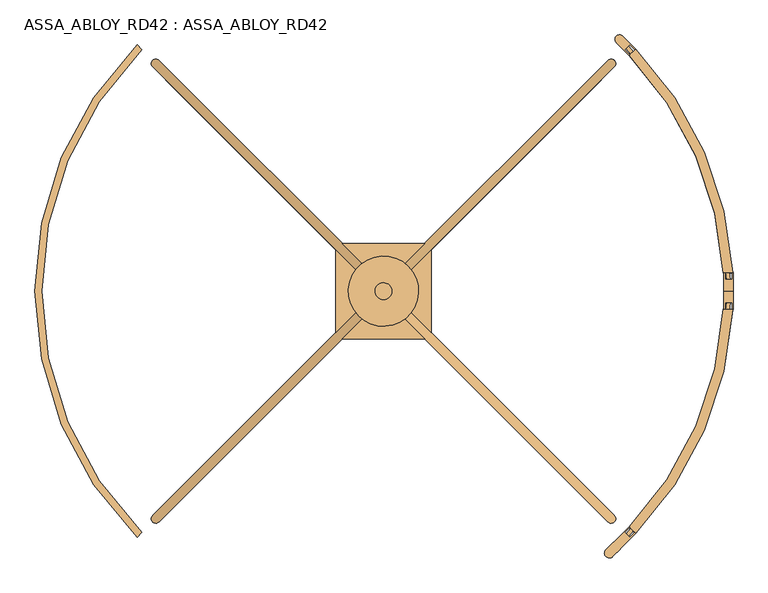
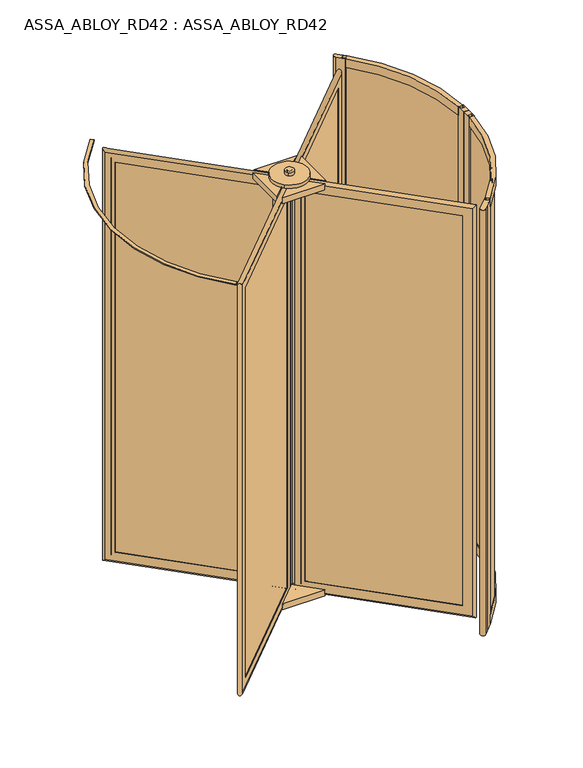
"""IFC4 building model written with IfcOpenShell, lengths in millimetres: door geometry, ASSA_ABLOY_RD42 : ASSA_ABLOY_RD42."""

from ifc_helpers import new_model, si_unit, point, frame, frame_2d, origin, origin_with_axes, place, context, project, spatial, polyline, circle_curve, ellipse_curve, trimmed, segment, composite_curve, outline, extrude, source, transform, mapped, element, save
from ifc_brep_helpers import plane_surface, cylinder_surface, revolved_surface, advanced_brep


def assa_abloy_rd42_assa_abloy_rd42_764ed015(model_context):
    return source(origin(), model_context, "Body", "SolidModel", [
        advanced_brep(
        [(730.2834047, -619.4255403, 105.0), (728.1620844, -621.5468607, 105.0), (728.1620844, -621.5468607, 2395.0), (730.2834047, -619.4255403, 2395.0), (758.5676759, -619.4255403, 85.0), (744.4255403, -633.5676759, 85.0), (744.4255403, -633.5676759, 2415.0), (758.5676759, -619.4255403, 2415.0), (746.5468607, -603.1620844, 105.0), (744.4255403, -605.2834047, 105.0), (744.4255403, -605.2834047, 2395.0), (746.5468607, -603.1620844, 2395.0), (764.931637, -658.3164133, 53.0), (783.3164133, -639.931637, 53.0), (783.3164133, -639.931637, 2447.0), (764.931637, -658.3164133, 2447.0), (173.0832611, -66.4680374, 2395.0), (175.2045815, -64.3467171, 2395.0), (161.0624458, -50.2045815, 2415.0), (175.2045815, -36.0624458, 2415.0), (189.3467171, -50.2045815, 2395.0), (191.4680374, -48.0832611, 2395.0), (154.6984848, -11.3137085, 2447.0), (136.3137085, -29.6984848, 2447.0), (173.0832611, -66.4680374, 105.0), (175.2045815, -64.3467171, 105.0), (161.0624458, -50.2045815, 85.0), (175.2045815, -36.0624458, 85.0), (189.3467171, -50.2045815, 105.0), (191.4680374, -48.0832611, 105.0), (154.6984848, -11.3137085, 53.0), (136.3137085, -29.6984848, 53.0)],
        [
            (0, 1),
            (1, 2),
            (2, 3),
            (3, 0),
            (4, 5),
            (5, 6),
            (6, 7),
            (7, 4),
            (8, 9),
            (9, 10),
            (10, 11),
            (11, 8),
            (12, 13, ellipse_curve(frame((774.1240251, -649.1240251, 53.0), z_axis=(0.4999999999999917, -0.5000000000000084, 0.7071067811865475), x_axis=(0.5000000000000054, -0.4999999999999945, -0.7071067811865476)), 18.3847763, 13.0)),
            (13, 14),
            (14, 15, ellipse_curve(frame((774.1240251, -649.1240251, 2447.0), z_axis=(0.5000000000000054, -0.49999999999999456, -0.7071067811865475), x_axis=(-0.4999999999999915, 0.5000000000000083, -0.7071067811865476)), 18.3847763, 13.0)),
            (15, 12),
            (2, 16),
            (16, 17),
            (17, 3),
            (6, 18),
            (18, 19),
            (19, 7),
            (10, 20),
            (20, 21),
            (21, 11),
            (14, 22),
            (22, 23, ellipse_curve(frame((145.5060967, -20.5060967, 2447.0), z_axis=(0.4999999999999917, -0.5000000000000084, 0.7071067811865475), x_axis=(0.5000000000000054, -0.4999999999999945, -0.7071067811865476)), 18.3847763, 13.0)),
            (23, 15),
            (16, 24),
            (24, 25),
            (25, 17),
            (18, 26),
            (26, 27),
            (27, 19),
            (20, 28),
            (28, 29),
            (29, 21),
            (22, 30),
            (30, 31, ellipse_curve(frame((145.5060967, -20.5060967, 53.0), z_axis=(-0.5000000000000054, 0.49999999999999456, 0.7071067811865475), x_axis=(0.4999999999999915, -0.5000000000000083, 0.7071067811865476)), 18.3847763, 13.0)),
            (31, 23),
            (24, 1),
            (0, 25),
            (5, 26),
            (4, 27),
            (9, 28),
            (8, 29),
            (13, 30),
            (12, 31),
        ],
        [
            plane_surface(frame((728.1620844, -621.5468607, 105.0), z_axis=(-0.7071067811865437, 0.7071067811865513, 0.0), x_axis=(0.0, 0.0, 1.0))),
            plane_surface(frame((744.4255403, -633.5676759, 85.0), z_axis=(-0.7071067811865452, 0.7071067811865498, 0.0), x_axis=(0.0, 0.0, 1.0))),
            plane_surface(frame((744.4255403, -605.2834047, 105.0), z_axis=(-0.7071067811865437, 0.7071067811865513, 0.0), x_axis=(0.0, 0.0, 1.0))),
            cylinder_surface(frame((774.1240251, -649.1240251, 40.0), z_axis=(0.0, 0.0, -1.0), x_axis=(-0.7071067811865456, 0.7071067811865497, 0.0)), 13.0),
            plane_surface(frame((728.1620844, -621.5468607, 2395.0), z_axis=(0.0, 0.0, -1.0), x_axis=(-0.7071067811865455, 0.7071067811865496, 0.0))),
            plane_surface(frame((744.4255403, -633.5676759, 2415.0), z_axis=(0.0, 0.0, -1.0), x_axis=(-0.7071067811865455, 0.7071067811865496, 0.0))),
            plane_surface(frame((744.4255403, -605.2834047, 2395.0), z_axis=(0.0, 0.0, -1.0), x_axis=(-0.7071067811865455, 0.7071067811865496, 0.0))),
            cylinder_surface(frame((783.3164133, -658.3164133, 2447.0), z_axis=(0.7071067811865456, -0.7071067811865497, 0.0), x_axis=(0.0, 0.0, -1.0)), 13.0),
            plane_surface(frame((173.0832611, -66.4680374, 2395.0), z_axis=(0.7071067811865472, -0.7071067811865478, 0.0), x_axis=(0.0, 0.0, -1.0))),
            plane_surface(frame((161.0624458, -50.2045815, 2415.0), z_axis=(0.7071067811865457, -0.7071067811865493, 0.0), x_axis=(0.0, 0.0, -1.0))),
            plane_surface(frame((189.3467171, -50.2045815, 2395.0), z_axis=(0.7071067811865472, -0.7071067811865478, 0.0), x_axis=(0.0, 0.0, -1.0))),
            cylinder_surface(frame((145.5060967, -20.5060967, 2460.0), z_axis=(0.0, 0.0, 1.0), x_axis=(0.7071067811865456, -0.7071067811865497, 0.0)), 13.0),
            plane_surface(frame((173.0832611, -66.4680374, 105.0), z_axis=(0.0, 0.0, 1.0), x_axis=(0.7071067811865455, -0.7071067811865496, 0.0))),
            plane_surface(frame((175.2045815, -64.3467171, 105.0), z_axis=(0.7071067811865496, 0.7071067811865455, 0.0), x_axis=(0.7071067811865455, -0.7071067811865496, 0.0))),
            plane_surface(frame((161.0624458, -50.2045815, 85.0), z_axis=(0.0, 0.0, 1.0), x_axis=(0.7071067811865455, -0.7071067811865496, 0.0))),
            plane_surface(frame((175.2045815, -36.0624458, 85.0), z_axis=(-0.7071067811865496, -0.7071067811865455, 0.0), x_axis=(0.7071067811865455, -0.7071067811865496, 0.0))),
            plane_surface(frame((189.3467171, -50.2045815, 105.0), z_axis=(0.0, 0.0, 1.0), x_axis=(0.7071067811865455, -0.7071067811865496, 0.0))),
            plane_surface(frame((191.4680374, -48.0832611, 105.0), z_axis=(0.7071067811865496, 0.7071067811865455, 0.0), x_axis=(0.7071067811865455, -0.7071067811865496, 0.0))),
            cylinder_surface(frame((136.3137085, -11.3137085, 53.0), z_axis=(-0.7071067811865456, 0.7071067811865497, 0.0), x_axis=(0.0, 0.0, 1.0)), 13.0),
            plane_surface(frame((136.3137085, -29.6984848, 53.0), z_axis=(-0.7071067811865496, -0.7071067811865455, 0.0), x_axis=(0.7071067811865455, -0.7071067811865496, 0.0))),
        ],
        [
            (0, [[1, 2, 3, 4]]),
            (1, [[5, 6, 7, 8]]),
            (2, [[9, 10, 11, 12]]),
            (3, [[13, 14, 15, 16]]),
            (4, [[-3, 17, 18, 19]]),
            (5, [[-7, 20, 21, 22]]),
            (6, [[-11, 23, 24, 25]]),
            (7, [[-15, 26, 27, 28]]),
            (8, [[-18, 29, 30, 31]]),
            (9, [[-21, 32, 33, 34]]),
            (10, [[-24, 35, 36, 37]]),
            (11, [[-27, 38, 39, 40]]),
            (12, [[-30, 41, -1, 42]]),
            (13, [[43, -32, -20, -6], [-19, -31, -42, -4]]),
            (14, [[-33, -43, -5, 44]]),
            (15, [[-22, -34, -44, -8], [45, -35, -23, -10]]),
            (16, [[-36, -45, -9, 46]]),
            (17, [[47, -38, -26, -14], [-25, -37, -46, -12]]),
            (18, [[-39, -47, -13, 48]]),
            (19, [[-28, -40, -48, -16], [-41, -29, -17, -2]]),
        ],
    ),
        extrude(outline(polyline([(755.032142, -622.9610742), (747.9610742, -630.032142), (164.5979797, -46.6690476), (171.6690476, -39.5979797), (755.032142, -622.9610742)])), frame((0.0, 0.0, 85.0), z_axis=(0.0, 0.0, 1.0), x_axis=(1.0, 0.0, 0.0)), (0.0, 0.0, 1.0), 2330.0),
        advanced_brep(
        [(-494.4255403, -605.2834047, 105.0), (-496.5468607, -603.1620844, 105.0), (-496.5468607, -603.1620844, 2395.0), (-494.4255403, -605.2834047, 2395.0), (-494.4255403, -633.5676759, 85.0), (-508.5676759, -619.4255403, 85.0), (-508.5676759, -619.4255403, 2415.0), (-494.4255403, -633.5676759, 2415.0), (-478.1620844, -621.5468607, 105.0), (-480.2834047, -619.4255403, 105.0), (-480.2834047, -619.4255403, 2395.0), (-478.1620844, -621.5468607, 2395.0), (-533.3164133, -639.931637, 53.0), (-514.931637, -658.3164133, 53.0), (-514.931637, -658.3164133, 2447.0), (-533.3164133, -639.931637, 2447.0), (58.5319626, -48.0832611, 2395.0), (60.6532829, -50.2045815, 2395.0), (74.7954185, -36.0624458, 2415.0), (88.9375542, -50.2045815, 2415.0), (74.7954185, -64.3467171, 2395.0), (76.9167389, -66.4680374, 2395.0), (113.6862915, -29.6984848, 2447.0), (95.3015152, -11.3137085, 2447.0), (58.5319626, -48.0832611, 105.0), (60.6532829, -50.2045815, 105.0), (74.7954185, -36.0624458, 85.0), (88.9375542, -50.2045815, 85.0), (74.7954185, -64.3467171, 105.0), (76.9167389, -66.4680374, 105.0), (113.6862915, -29.6984848, 53.0), (95.3015152, -11.3137085, 53.0)],
        [
            (0, 1),
            (1, 2),
            (2, 3),
            (3, 0),
            (4, 5),
            (5, 6),
            (6, 7),
            (7, 4),
            (8, 9),
            (9, 10),
            (10, 11),
            (11, 8),
            (12, 13, ellipse_curve(frame((-524.1240251, -649.1240251, 53.0), z_axis=(-0.5000000000000089, -0.49999999999999106, 0.7071067811865475), x_axis=(-0.49999999999999495, -0.5000000000000048, -0.7071067811865476)), 18.3847763, 13.0)),
            (13, 14),
            (14, 15, ellipse_curve(frame((-524.1240251, -649.1240251, 2447.0), z_axis=(-0.49999999999999506, -0.5000000000000049, -0.7071067811865475), x_axis=(0.5000000000000088, 0.49999999999999095, -0.7071067811865476)), 18.3847763, 13.0)),
            (15, 12),
            (2, 16),
            (16, 17),
            (17, 3),
            (6, 18),
            (18, 19),
            (19, 7),
            (10, 20),
            (20, 21),
            (21, 11),
            (14, 22),
            (22, 23, ellipse_curve(frame((104.4939033, -20.5060967, 2447.0), z_axis=(-0.5000000000000089, -0.49999999999999106, 0.7071067811865475), x_axis=(-0.4999999999999951, -0.5000000000000049, -0.7071067811865474)), 18.3847763, 13.0)),
            (23, 15),
            (16, 24),
            (24, 25),
            (25, 17),
            (18, 26),
            (26, 27),
            (27, 19),
            (20, 28),
            (28, 29),
            (29, 21),
            (22, 30),
            (30, 31, ellipse_curve(frame((104.4939033, -20.5060967, 53.0), z_axis=(0.49999999999999506, 0.5000000000000049, 0.7071067811865475), x_axis=(-0.5000000000000088, -0.49999999999999095, 0.7071067811865476)), 18.3847763, 13.0)),
            (31, 23),
            (24, 1),
            (0, 25),
            (5, 26),
            (4, 27),
            (9, 28),
            (8, 29),
            (13, 30),
            (12, 31),
        ],
        [
            plane_surface(frame((-496.5468607, -603.1620844, 105.0), z_axis=(0.7071067811865521, 0.7071067811865429, 0.0), x_axis=(0.0, 0.0, 1.0))),
            plane_surface(frame((-508.5676759, -619.4255403, 85.0), z_axis=(0.7071067811865506, 0.7071067811865445, 0.0), x_axis=(0.0, 0.0, 1.0))),
            plane_surface(frame((-480.2834047, -619.4255403, 105.0), z_axis=(0.7071067811865521, 0.7071067811865429, 0.0), x_axis=(0.0, 0.0, 1.0))),
            cylinder_surface(frame((-524.1240251, -649.1240251, 40.0), z_axis=(0.0, 0.0, -1.0), x_axis=(0.7071067811865503, 0.7071067811865447, 0.0)), 13.0),
            plane_surface(frame((-496.5468607, -603.1620844, 2395.0), z_axis=(0.0, 0.0, -1.0), x_axis=(0.7071067811865503, 0.7071067811865447, 0.0))),
            plane_surface(frame((-508.5676759, -619.4255403, 2415.0), z_axis=(0.0, 0.0, -1.0), x_axis=(0.7071067811865503, 0.7071067811865447, 0.0))),
            plane_surface(frame((-480.2834047, -619.4255403, 2395.0), z_axis=(0.0, 0.0, -1.0), x_axis=(0.7071067811865503, 0.7071067811865447, 0.0))),
            cylinder_surface(frame((-533.3164133, -658.3164133, 2447.0), z_axis=(-0.7071067811865503, -0.7071067811865447, 0.0), x_axis=(0.0, 0.0, -1.0)), 13.0),
            plane_surface(frame((58.5319626, -48.0832611, 2395.0), z_axis=(-0.7071067811865486, -0.7071067811865465, 0.0), x_axis=(0.0, 0.0, -1.0))),
            plane_surface(frame((74.7954185, -36.0624458, 2415.0), z_axis=(-0.7071067811865501, -0.7071067811865449, 0.0), x_axis=(0.0, 0.0, -1.0))),
            plane_surface(frame((74.7954185, -64.3467171, 2395.0), z_axis=(-0.7071067811865486, -0.7071067811865465, 0.0), x_axis=(0.0, 0.0, -1.0))),
            cylinder_surface(frame((104.4939033, -20.5060967, 2460.0), z_axis=(0.0, 0.0, 1.0), x_axis=(-0.7071067811865503, -0.7071067811865447, 0.0)), 13.0),
            plane_surface(frame((58.5319626, -48.0832611, 105.0), z_axis=(0.0, 0.0, 1.0), x_axis=(-0.7071067811865503, -0.7071067811865447, 0.0))),
            plane_surface(frame((60.6532829, -50.2045815, 105.0), z_axis=(0.7071067811865447, -0.7071067811865503, 0.0), x_axis=(-0.7071067811865503, -0.7071067811865447, 0.0))),
            plane_surface(frame((74.7954185, -36.0624458, 85.0), z_axis=(0.0, 0.0, 1.0), x_axis=(-0.7071067811865503, -0.7071067811865447, 0.0))),
            plane_surface(frame((88.9375542, -50.2045815, 85.0), z_axis=(-0.7071067811865447, 0.7071067811865503, 0.0), x_axis=(-0.7071067811865503, -0.7071067811865447, 0.0))),
            plane_surface(frame((74.7954185, -64.3467171, 105.0), z_axis=(0.0, 0.0, 1.0), x_axis=(-0.7071067811865503, -0.7071067811865447, 0.0))),
            plane_surface(frame((76.9167389, -66.4680374, 105.0), z_axis=(0.7071067811865447, -0.7071067811865503, 0.0), x_axis=(-0.7071067811865503, -0.7071067811865447, 0.0))),
            cylinder_surface(frame((113.6862915, -11.3137085, 53.0), z_axis=(0.7071067811865503, 0.7071067811865447, 0.0), x_axis=(0.0, 0.0, 1.0)), 13.0),
            plane_surface(frame((95.3015152, -11.3137085, 53.0), z_axis=(-0.7071067811865447, 0.7071067811865503, 0.0), x_axis=(-0.7071067811865503, -0.7071067811865447, 0.0))),
        ],
        [
            (0, [[1, 2, 3, 4]]),
            (1, [[5, 6, 7, 8]]),
            (2, [[9, 10, 11, 12]]),
            (3, [[13, 14, 15, 16]]),
            (4, [[-3, 17, 18, 19]]),
            (5, [[-7, 20, 21, 22]]),
            (6, [[-11, 23, 24, 25]]),
            (7, [[-15, 26, 27, 28]]),
            (8, [[-18, 29, 30, 31]]),
            (9, [[-21, 32, 33, 34]]),
            (10, [[-24, 35, 36, 37]]),
            (11, [[-27, 38, 39, 40]]),
            (12, [[-30, 41, -1, 42]]),
            (13, [[43, -32, -20, -6], [-19, -31, -42, -4]]),
            (14, [[-33, -43, -5, 44]]),
            (15, [[-22, -34, -44, -8], [45, -35, -23, -10]]),
            (16, [[-36, -45, -9, 46]]),
            (17, [[47, -38, -26, -14], [-25, -37, -46, -12]]),
            (18, [[-39, -47, -13, 48]]),
            (19, [[-28, -40, -48, -16], [-41, -29, -17, -2]]),
        ],
    ),
        extrude(outline(polyline([(-497.9610742, -630.032142), (-505.032142, -622.9610742), (78.3309524, -39.5979797), (85.4020203, -46.6690476), (-497.9610742, -630.032142)])), frame((0.0, 0.0, 85.0), z_axis=(0.0, 0.0, 1.0), x_axis=(1.0, 0.0, 0.0)), (0.0, 0.0, 1.0), 2330.0),
        advanced_brep(
        [(-480.2834047, 619.4255403, 105.0), (-478.1620844, 621.5468607, 105.0), (-478.1620844, 621.5468607, 2395.0), (-480.2834047, 619.4255403, 2395.0), (-508.5676759, 619.4255403, 85.0), (-494.4255403, 633.5676759, 85.0), (-494.4255403, 633.5676759, 2415.0), (-508.5676759, 619.4255403, 2415.0), (-496.5468607, 603.1620844, 105.0), (-494.4255403, 605.2834047, 105.0), (-494.4255403, 605.2834047, 2395.0), (-496.5468607, 603.1620844, 2395.0), (-514.931637, 658.3164133, 53.0), (-533.3164133, 639.931637, 53.0), (-533.3164133, 639.931637, 2447.0), (-514.931637, 658.3164133, 2447.0), (76.9167389, 66.4680374, 2395.0), (74.7954185, 64.3467171, 2395.0), (88.9375542, 50.2045815, 2415.0), (74.7954185, 36.0624458, 2415.0), (60.6532829, 50.2045815, 2395.0), (58.5319626, 48.0832611, 2395.0), (95.3015152, 11.3137085, 2447.0), (113.6862915, 29.6984848, 2447.0), (76.9167389, 66.4680374, 105.0), (74.7954185, 64.3467171, 105.0), (88.9375542, 50.2045815, 85.0), (74.7954185, 36.0624458, 85.0), (60.6532829, 50.2045815, 105.0), (58.5319626, 48.0832611, 105.0), (95.3015152, 11.3137085, 53.0), (113.6862915, 29.6984848, 53.0)],
        [
            (0, 1),
            (1, 2),
            (2, 3),
            (3, 0),
            (4, 5),
            (5, 6),
            (6, 7),
            (7, 4),
            (8, 9),
            (9, 10),
            (10, 11),
            (11, 8),
            (12, 13, ellipse_curve(frame((-524.1240251, 649.1240251, 53.0), z_axis=(-0.4999999999999913, 0.5000000000000087, 0.7071067811865475), x_axis=(-0.500000000000005, 0.4999999999999947, -0.7071067811865476)), 18.3847763, 13.0)),
            (13, 14),
            (14, 15, ellipse_curve(frame((-524.1240251, 649.1240251, 2447.0), z_axis=(-0.5000000000000051, 0.4999999999999948, -0.7071067811865475), x_axis=(0.4999999999999912, -0.5000000000000085, -0.7071067811865476)), 18.3847763, 13.0)),
            (15, 12),
            (2, 16),
            (16, 17),
            (17, 3),
            (6, 18),
            (18, 19),
            (19, 7),
            (10, 20),
            (20, 21),
            (21, 11),
            (14, 22),
            (22, 23, ellipse_curve(frame((104.4939033, 20.5060967, 2447.0), z_axis=(-0.4999999999999913, 0.5000000000000087, 0.7071067811865475), x_axis=(-0.5000000000000052, 0.49999999999999495, -0.7071067811865475)), 18.3847763, 13.0)),
            (23, 15),
            (16, 24),
            (24, 25),
            (25, 17),
            (18, 26),
            (26, 27),
            (27, 19),
            (20, 28),
            (28, 29),
            (29, 21),
            (22, 30),
            (30, 31, ellipse_curve(frame((104.4939033, 20.5060967, 53.0), z_axis=(0.5000000000000051, -0.4999999999999948, 0.7071067811865475), x_axis=(-0.4999999999999912, 0.5000000000000085, 0.7071067811865476)), 18.3847763, 13.0)),
            (31, 23),
            (24, 1),
            (0, 25),
            (5, 26),
            (4, 27),
            (9, 28),
            (8, 29),
            (13, 30),
            (12, 31),
        ],
        [
            plane_surface(frame((-478.1620844, 621.5468607, 105.0), z_axis=(0.7071067811865432, -0.7071067811865518, 0.0), x_axis=(0.0, 0.0, 1.0))),
            plane_surface(frame((-494.4255403, 633.5676759, 85.0), z_axis=(0.7071067811865448, -0.7071067811865502, 0.0), x_axis=(0.0, 0.0, 1.0))),
            plane_surface(frame((-494.4255403, 605.2834047, 105.0), z_axis=(0.7071067811865432, -0.7071067811865518, 0.0), x_axis=(0.0, 0.0, 1.0))),
            cylinder_surface(frame((-524.1240251, 649.1240251, 40.0), z_axis=(0.0, 0.0, -1.0), x_axis=(0.707106781186545, -0.70710678118655, 0.0)), 13.0),
            plane_surface(frame((-478.1620844, 621.5468607, 2395.0), z_axis=(0.0, 0.0, -1.0), x_axis=(0.707106781186545, -0.70710678118655, 0.0))),
            plane_surface(frame((-494.4255403, 633.5676759, 2415.0), z_axis=(0.0, 0.0, -1.0), x_axis=(0.707106781186545, -0.70710678118655, 0.0))),
            plane_surface(frame((-494.4255403, 605.2834047, 2395.0), z_axis=(0.0, 0.0, -1.0), x_axis=(0.707106781186545, -0.70710678118655, 0.0))),
            cylinder_surface(frame((-533.3164133, 658.3164133, 2447.0), z_axis=(-0.707106781186545, 0.70710678118655, 0.0), x_axis=(0.0, 0.0, -1.0)), 13.0),
            plane_surface(frame((76.9167389, 66.4680374, 2395.0), z_axis=(-0.7071067811865468, 0.7071067811865482, 0.0), x_axis=(0.0, 0.0, -1.0))),
            plane_surface(frame((88.9375542, 50.2045815, 2415.0), z_axis=(-0.7071067811865452, 0.7071067811865498, 0.0), x_axis=(0.0, 0.0, -1.0))),
            plane_surface(frame((60.6532829, 50.2045815, 2395.0), z_axis=(-0.7071067811865468, 0.7071067811865482, 0.0), x_axis=(0.0, 0.0, -1.0))),
            cylinder_surface(frame((104.4939033, 20.5060967, 2460.0), z_axis=(0.0, 0.0, 1.0), x_axis=(-0.707106781186545, 0.70710678118655, 0.0)), 13.0),
            plane_surface(frame((76.9167389, 66.4680374, 105.0), z_axis=(0.0, 0.0, 1.0), x_axis=(-0.707106781186545, 0.70710678118655, 0.0))),
            plane_surface(frame((74.7954185, 64.3467171, 105.0), z_axis=(-0.70710678118655, -0.707106781186545, 0.0), x_axis=(-0.707106781186545, 0.70710678118655, 0.0))),
            plane_surface(frame((88.9375542, 50.2045815, 85.0), z_axis=(0.0, 0.0, 1.0), x_axis=(-0.707106781186545, 0.70710678118655, 0.0))),
            plane_surface(frame((74.7954185, 36.0624458, 85.0), z_axis=(0.70710678118655, 0.707106781186545, 0.0), x_axis=(-0.707106781186545, 0.70710678118655, 0.0))),
            plane_surface(frame((60.6532829, 50.2045815, 105.0), z_axis=(0.0, 0.0, 1.0), x_axis=(-0.707106781186545, 0.70710678118655, 0.0))),
            plane_surface(frame((58.5319626, 48.0832611, 105.0), z_axis=(-0.70710678118655, -0.707106781186545, 0.0), x_axis=(-0.707106781186545, 0.70710678118655, 0.0))),
            cylinder_surface(frame((113.6862915, 11.3137085, 53.0), z_axis=(0.707106781186545, -0.70710678118655, 0.0), x_axis=(0.0, 0.0, 1.0)), 13.0),
            plane_surface(frame((113.6862915, 29.6984848, 53.0), z_axis=(0.70710678118655, 0.707106781186545, 0.0), x_axis=(-0.707106781186545, 0.70710678118655, 0.0))),
        ],
        [
            (0, [[1, 2, 3, 4]]),
            (1, [[5, 6, 7, 8]]),
            (2, [[9, 10, 11, 12]]),
            (3, [[13, 14, 15, 16]]),
            (4, [[-3, 17, 18, 19]]),
            (5, [[-7, 20, 21, 22]]),
            (6, [[-11, 23, 24, 25]]),
            (7, [[-15, 26, 27, 28]]),
            (8, [[-18, 29, 30, 31]]),
            (9, [[-21, 32, 33, 34]]),
            (10, [[-24, 35, 36, 37]]),
            (11, [[-27, 38, 39, 40]]),
            (12, [[-30, 41, -1, 42]]),
            (13, [[43, -32, -20, -6], [-19, -31, -42, -4]]),
            (14, [[-33, -43, -5, 44]]),
            (15, [[-22, -34, -44, -8], [45, -35, -23, -10]]),
            (16, [[-36, -45, -9, 46]]),
            (17, [[47, -38, -26, -14], [-25, -37, -46, -12]]),
            (18, [[-39, -47, -13, 48]]),
            (19, [[-28, -40, -48, -16], [-41, -29, -17, -2]]),
        ],
    ),
        extrude(outline(polyline([(-505.032142, 622.9610742), (-497.9610742, 630.032142), (85.4020203, 46.6690476), (78.3309524, 39.5979797), (-505.032142, 622.9610742)])), frame((0.0, 0.0, 85.0), z_axis=(0.0, 0.0, 1.0), x_axis=(1.0, 0.0, 0.0)), (0.0, 0.0, 1.0), 2330.0),
        advanced_brep(
        [(744.4255403, 605.2834047, 105.0), (746.5468607, 603.1620844, 105.0), (746.5468607, 603.1620844, 2395.0), (744.4255403, 605.2834047, 2395.0), (744.4255403, 633.5676759, 85.0), (758.5676759, 619.4255403, 85.0), (758.5676759, 619.4255403, 2415.0), (744.4255403, 633.5676759, 2415.0), (728.1620844, 621.5468607, 105.0), (730.2834047, 619.4255403, 105.0), (730.2834047, 619.4255403, 2395.0), (728.1620844, 621.5468607, 2395.0), (783.3164133, 639.931637, 53.0), (764.931637, 658.3164133, 53.0), (764.931637, 658.3164133, 2447.0), (783.3164133, 639.931637, 2447.0), (191.4680374, 48.0832611, 2395.0), (189.3467171, 50.2045815, 2395.0), (175.2045815, 36.0624458, 2415.0), (161.0624458, 50.2045815, 2415.0), (175.2045815, 64.3467171, 2395.0), (173.0832611, 66.4680374, 2395.0), (136.3137085, 29.6984848, 2447.0), (154.6984848, 11.3137085, 2447.0), (191.4680374, 48.0832611, 105.0), (189.3467171, 50.2045815, 105.0), (175.2045815, 36.0624458, 85.0), (161.0624458, 50.2045815, 85.0), (175.2045815, 64.3467171, 105.0), (173.0832611, 66.4680374, 105.0), (136.3137085, 29.6984848, 53.0), (154.6984848, 11.3137085, 53.0)],
        [
            (0, 1),
            (1, 2),
            (2, 3),
            (3, 0),
            (4, 5),
            (5, 6),
            (6, 7),
            (7, 4),
            (8, 9),
            (9, 10),
            (10, 11),
            (11, 8),
            (12, 13, ellipse_curve(frame((774.1240251, 649.1240251, 53.0), z_axis=(0.5000000000000073, 0.4999999999999926, 0.7071067811865475), x_axis=(0.4999999999999934, 0.5000000000000063, -0.7071067811865476)), 18.3847763, 13.0)),
            (13, 14),
            (14, 15, ellipse_curve(frame((774.1240251, 649.1240251, 2447.0), z_axis=(0.49999999999999345, 0.5000000000000064, -0.7071067811865475), x_axis=(-0.5000000000000072, -0.4999999999999925, -0.7071067811865476)), 18.3847763, 13.0)),
            (15, 12),
            (2, 16),
            (16, 17),
            (17, 3),
            (6, 18),
            (18, 19),
            (19, 7),
            (10, 20),
            (20, 21),
            (21, 11),
            (14, 22),
            (22, 23, ellipse_curve(frame((145.5060967, 20.5060967, 2447.0), z_axis=(0.5000000000000073, 0.4999999999999926, 0.7071067811865475), x_axis=(0.4999999999999936, 0.5000000000000066, -0.7071067811865475)), 18.3847763, 13.0)),
            (23, 15),
            (16, 24),
            (24, 25),
            (25, 17),
            (18, 26),
            (26, 27),
            (27, 19),
            (20, 28),
            (28, 29),
            (29, 21),
            (22, 30),
            (30, 31, ellipse_curve(frame((145.5060967, 20.5060967, 53.0), z_axis=(-0.49999999999999345, -0.5000000000000064, 0.7071067811865475), x_axis=(0.5000000000000072, 0.4999999999999925, 0.7071067811865476)), 18.3847763, 13.0)),
            (31, 23),
            (24, 1),
            (0, 25),
            (5, 26),
            (4, 27),
            (9, 28),
            (8, 29),
            (13, 30),
            (12, 31),
        ],
        [
            plane_surface(frame((746.5468607, 603.1620844, 105.0), z_axis=(-0.7071067811865499, -0.7071067811865451, 0.0), x_axis=(0.0, 0.0, 1.0))),
            plane_surface(frame((758.5676759, 619.4255403, 85.0), z_axis=(-0.7071067811865483, -0.7071067811865467, 0.0), x_axis=(0.0, 0.0, 1.0))),
            plane_surface(frame((730.2834047, 619.4255403, 105.0), z_axis=(-0.7071067811865499, -0.7071067811865451, 0.0), x_axis=(0.0, 0.0, 1.0))),
            cylinder_surface(frame((774.1240251, 649.1240251, 40.0), z_axis=(0.0, 0.0, -1.0), x_axis=(-0.7071067811865481, -0.7071067811865469, 0.0)), 13.0),
            plane_surface(frame((746.5468607, 603.1620844, 2395.0), z_axis=(0.0, 0.0, -1.0), x_axis=(-0.7071067811865481, -0.7071067811865469, 0.0))),
            plane_surface(frame((758.5676759, 619.4255403, 2415.0), z_axis=(0.0, 0.0, -1.0), x_axis=(-0.7071067811865481, -0.7071067811865469, 0.0))),
            plane_surface(frame((730.2834047, 619.4255403, 2395.0), z_axis=(0.0, 0.0, -1.0), x_axis=(-0.7071067811865481, -0.7071067811865469, 0.0))),
            cylinder_surface(frame((783.3164133, 658.3164133, 2447.0), z_axis=(0.7071067811865481, 0.7071067811865469, 0.0), x_axis=(0.0, 0.0, -1.0)), 13.0),
            plane_surface(frame((191.4680374, 48.0832611, 2395.0), z_axis=(0.7071067811865464, 0.7071067811865487, 0.0), x_axis=(0.0, 0.0, -1.0))),
            plane_surface(frame((175.2045815, 36.0624458, 2415.0), z_axis=(0.7071067811865479, 0.7071067811865471, 0.0), x_axis=(0.0, 0.0, -1.0))),
            plane_surface(frame((175.2045815, 64.3467171, 2395.0), z_axis=(0.7071067811865464, 0.7071067811865487, 0.0), x_axis=(0.0, 0.0, -1.0))),
            cylinder_surface(frame((145.5060967, 20.5060967, 2460.0), z_axis=(0.0, 0.0, 1.0), x_axis=(0.7071067811865481, 0.7071067811865469, 0.0)), 13.0),
            plane_surface(frame((191.4680374, 48.0832611, 105.0), z_axis=(0.0, 0.0, 1.0), x_axis=(0.7071067811865481, 0.7071067811865469, 0.0))),
            plane_surface(frame((189.3467171, 50.2045815, 105.0), z_axis=(-0.7071067811865469, 0.7071067811865481, 0.0), x_axis=(0.7071067811865481, 0.7071067811865469, 0.0))),
            plane_surface(frame((175.2045815, 36.0624458, 85.0), z_axis=(0.0, 0.0, 1.0), x_axis=(0.7071067811865481, 0.7071067811865469, 0.0))),
            plane_surface(frame((161.0624458, 50.2045815, 85.0), z_axis=(0.7071067811865469, -0.7071067811865481, 0.0), x_axis=(0.7071067811865481, 0.7071067811865469, 0.0))),
            plane_surface(frame((175.2045815, 64.3467171, 105.0), z_axis=(0.0, 0.0, 1.0), x_axis=(0.7071067811865481, 0.7071067811865469, 0.0))),
            plane_surface(frame((173.0832611, 66.4680374, 105.0), z_axis=(-0.7071067811865469, 0.7071067811865481, 0.0), x_axis=(0.7071067811865481, 0.7071067811865469, 0.0))),
            cylinder_surface(frame((136.3137085, 11.3137085, 53.0), z_axis=(-0.7071067811865481, -0.7071067811865469, 0.0), x_axis=(0.0, 0.0, 1.0)), 13.0),
            plane_surface(frame((154.6984848, 11.3137085, 53.0), z_axis=(0.7071067811865469, -0.7071067811865481, 0.0), x_axis=(0.7071067811865481, 0.7071067811865469, 0.0))),
        ],
        [
            (0, [[1, 2, 3, 4]]),
            (1, [[5, 6, 7, 8]]),
            (2, [[9, 10, 11, 12]]),
            (3, [[13, 14, 15, 16]]),
            (4, [[-3, 17, 18, 19]]),
            (5, [[-7, 20, 21, 22]]),
            (6, [[-11, 23, 24, 25]]),
            (7, [[-15, 26, 27, 28]]),
            (8, [[-18, 29, 30, 31]]),
            (9, [[-21, 32, 33, 34]]),
            (10, [[-24, 35, 36, 37]]),
            (11, [[-27, 38, 39, 40]]),
            (12, [[-30, 41, -1, 42]]),
            (13, [[43, -32, -20, -6], [-19, -31, -42, -4]]),
            (14, [[-33, -43, -5, 44]]),
            (15, [[-22, -34, -44, -8], [45, -35, -23, -10]]),
            (16, [[-36, -45, -9, 46]]),
            (17, [[47, -38, -26, -14], [-25, -37, -46, -12]]),
            (18, [[-39, -47, -13, 48]]),
            (19, [[-28, -40, -48, -16], [-41, -29, -17, -2]]),
        ],
    ),
        extrude(outline(polyline([(747.9610742, 630.032142), (755.032142, 622.9610742), (171.6690476, 39.5979797), (164.5979797, 46.6690476), (747.9610742, 630.032142)])), frame((0.0, 0.0, 85.0), z_axis=(0.0, 0.0, 1.0), x_axis=(1.0, 0.0, 0.0)), (0.0, 0.0, 1.0), 2330.0),
        extrude(outline(composite_curve([segment(trimmed(circle_curve(frame_2d((125.0, 0.0)), 24.0), [point((108.0294373, -16.9705627))], [point((141.9705627, 16.9705627))], False, "CARTESIAN"), True, "CONTINUOUS"), segment(trimmed(circle_curve(frame_2d((125.0, 0.0)), 24.0), [point((141.9705627, 16.9705627))], [point((108.0294373, -16.9705627))], False, "CARTESIAN"), True, "CONTINUOUS")], self_intersect=False)), origin_with_axes(), (0.0, 0.0, 1.0), 20.0),
        extrude(outline(composite_curve([segment(trimmed(circle_curve(frame_2d((125.0, 0.0)), 100.0), [point((54.2893219, -70.7106781))], [point((195.7106781, 70.7106781))], False, "CARTESIAN"), True, "CONTINUOUS"), segment(trimmed(circle_curve(frame_2d((125.0, 0.0)), 100.0), [point((195.7106781, 70.7106781))], [point((54.2893219, -70.7106781))], False, "CARTESIAN"), True, "CONTINUOUS")], self_intersect=False)), frame((0.0, 0.0, 20.0), z_axis=(0.0, 0.0, 1.0), x_axis=(1.0, 0.0, 0.0)), (0.0, 0.0, 1.0), 20.0),
        extrude(outline(composite_curve([segment(trimmed(circle_curve(frame_2d((125.0, 0.0)), 24.0), [point((141.9705627, 16.9705627))], [point((108.0294373, -16.9705627))], False, "CARTESIAN"), True, "CONTINUOUS"), segment(trimmed(circle_curve(frame_2d((125.0, 0.0)), 24.0), [point((108.0294373, -16.9705627))], [point((141.9705627, 16.9705627))], False, "CARTESIAN"), True, "CONTINUOUS")], self_intersect=False)), frame((0.0, 0.0, 2480.0), z_axis=(0.0, 0.0, 1.0), x_axis=(1.0, 0.0, 0.0)), (0.0, 0.0, 1.0), 20.0),
        extrude(outline(composite_curve([segment(trimmed(circle_curve(frame_2d((125.0, 0.0)), 100.0), [point((195.7106781, 70.7106781))], [point((54.2893219, -70.7106781))], False, "CARTESIAN"), True, "CONTINUOUS"), segment(trimmed(circle_curve(frame_2d((125.0, 0.0)), 100.0), [point((54.2893219, -70.7106781))], [point((195.7106781, 70.7106781))], False, "CARTESIAN"), True, "CONTINUOUS")], self_intersect=False)), frame((0.0, 0.0, 2460.0), z_axis=(0.0, 0.0, 1.0), x_axis=(1.0, 0.0, 0.0)), (0.0, 0.0, 1.0), 20.0),
        extrude(outline(composite_curve([segment(trimmed(circle_curve(frame_2d((125.0, 0.0)), 12.5), [point((116.1611652, -8.8388348))], [point((133.8388348, 8.8388348))], False, "CARTESIAN"), True, "CONTINUOUS"), segment(trimmed(circle_curve(frame_2d((125.0, 0.0)), 12.5), [point((133.8388348, 8.8388348))], [point((116.1611652, -8.8388348))], False, "CARTESIAN"), True, "CONTINUOUS")], self_intersect=False)), origin_with_axes(), (0.0, 0.0, 1.0), 2500.0),
        extrude(outline(polyline([(-11.0, 117.6152237), (106.6152237, 0.0), (-11.0, -117.6152237), (-11.0, 117.6152237)])), frame((0.0, 0.0, 2425.0), z_axis=(0.0, 0.0, 1.0), x_axis=(1.0, 0.0, 0.0)), (0.0, 0.0, 1.0), 35.0),
        extrude(outline(polyline([(7.3847763, -136.0), (125.0, -18.3847763), (242.6152237, -136.0), (7.3847763, -136.0)])), frame((0.0, 0.0, 2425.0), z_axis=(0.0, 0.0, 1.0), x_axis=(1.0, 0.0, 0.0)), (0.0, 0.0, 1.0), 35.0),
        extrude(outline(polyline([(261.0, -117.6152237), (143.3847763, 0.0), (261.0, 117.6152237), (261.0, -117.6152237)])), frame((0.0, 0.0, 2425.0), z_axis=(0.0, 0.0, 1.0), x_axis=(1.0, 0.0, 0.0)), (0.0, 0.0, 1.0), 35.0),
        extrude(outline(polyline([(242.6152237, 136.0), (125.0, 18.3847763), (7.3847763, 136.0), (242.6152237, 136.0)])), frame((0.0, 0.0, 2425.0), z_axis=(0.0, 0.0, 1.0), x_axis=(1.0, 0.0, 0.0)), (0.0, 0.0, 1.0), 35.0),
        extrude(outline(polyline([(-11.0, 117.6152237), (106.6152237, 0.0), (-11.0, -117.6152237), (-11.0, 117.6152237)])), frame((0.0, 0.0, 40.0), z_axis=(0.0, 0.0, 1.0), x_axis=(1.0, 0.0, 0.0)), (0.0, 0.0, 1.0), 35.0),
        extrude(outline(polyline([(7.3847763, -136.0), (125.0, -18.3847763), (242.6152237, -136.0), (7.3847763, -136.0)])), frame((0.0, 0.0, 40.0), z_axis=(0.0, 0.0, 1.0), x_axis=(1.0, 0.0, 0.0)), (0.0, 0.0, 1.0), 35.0),
        extrude(outline(polyline([(261.0, -117.6152237), (143.3847763, 0.0), (261.0, 117.6152237), (261.0, -117.6152237)])), frame((0.0, 0.0, 40.0), z_axis=(0.0, 0.0, 1.0), x_axis=(1.0, 0.0, 0.0)), (0.0, 0.0, 1.0), 35.0),
        extrude(outline(polyline([(242.6152237, 136.0), (125.0, 18.3847763), (7.3847763, 136.0), (242.6152237, 136.0)])), frame((0.0, 0.0, 40.0), z_axis=(0.0, 0.0, 1.0), x_axis=(1.0, 0.0, 0.0)), (0.0, 0.0, 1.0), 35.0),
        extrude(outline(composite_curve([segment(trimmed(circle_curve(frame_2d((125.0, 0.0)), 974.0), [point((-563.7220049, 688.7220049))], [point((-563.7220049, -688.7220049))], True, "CARTESIAN"), True, "CONTINUOUS"), segment(polyline([(-563.7220049, -688.7220049), (-577.8641405, -702.8641405)]), True, "CONTINUOUS"), segment(trimmed(circle_curve(frame_2d((125.0, 0.0)), 994.0), [point((-577.8641405, -702.8641405))], [point((-577.8641405, 702.8641405))], False, "CARTESIAN"), True, "CONTINUOUS"), segment(polyline([(-577.8641405, 702.8641405), (-563.7220049, 688.7220049)]), True, "CONTINUOUS")], self_intersect=False)), frame((0.0, 0.0, 2495.0), z_axis=(0.0, 0.0, 1.0), x_axis=(1.0, 0.0, 0.0)), (0.0, 0.0, 1.0), 5.0),
        extrude(outline(composite_curve([segment(trimmed(circle_curve(frame_2d((125.0, 0.0)), 989.0), [point((824.3286066, 699.3286066))], [point((1113.4436781, 33.1676829))], False, "CARTESIAN"), True, "CONTINUOUS"), segment(polyline([(1113.4436781, 33.1676829), (1103.4493032, 32.8323171)]), True, "CONTINUOUS"), segment(trimmed(circle_curve(frame_2d((125.0, 0.0)), 979.0), [point((1103.4493032, 32.8323171))], [point((817.2575388, 692.2575388))], True, "CARTESIAN"), True, "CONTINUOUS"), segment(polyline([(817.2575388, 692.2575388), (824.3286066, 699.3286066)]), True, "CONTINUOUS")], self_intersect=False)), frame((0.0, 0.0, 33.0), z_axis=(0.0, 0.0, 1.0), x_axis=(1.0, 0.0, 0.0)), (0.0, 0.0, 1.0), 2437.0),
        extrude(outline(composite_curve([segment(trimmed(circle_curve(frame_2d((125.0, 0.0)), 989.0), [point((1113.4436781, -33.1676829))], [point((824.3286066, -699.3286066))], False, "CARTESIAN"), True, "CONTINUOUS"), segment(polyline([(824.3286066, -699.3286066), (817.2575388, -692.2575388)]), True, "CONTINUOUS"), segment(trimmed(circle_curve(frame_2d((125.0, 0.0)), 979.0), [point((817.2575388, -692.2575388))], [point((1103.4493032, -32.8323171))], True, "CARTESIAN"), True, "CONTINUOUS"), segment(polyline([(1103.4493032, -32.8323171), (1113.4436781, -33.1676829)]), True, "CONTINUOUS")], self_intersect=False)), frame((0.0, 0.0, 33.0), z_axis=(0.0, 0.0, 1.0), x_axis=(1.0, 0.0, 0.0)), (0.0, 0.0, 1.0), 2437.0),
        extrude(outline(composite_curve([segment(polyline([(827.863883, -702.863883), (842.0060186, -688.7217474), (844.1270815, -690.8428103), (799.5793543, -735.3905375), (800.2864632, -736.0976464), (779.0719672, -757.3121425)]), True, "CONTINUOUS"), segment(trimmed(circle_curve(frame_2d((769.1727276, -747.4129028)), 13.9996389), [point((779.0719672, -757.3121425))], [point((759.273488, -737.5136632))], False, "CARTESIAN"), True, "CONTINUOUS"), segment(polyline([(759.273488, -737.5136632), (780.487984, -716.2991672), (781.1950929, -717.0062761), (825.7428202, -672.4585489), (827.863883, -674.5796118), (813.7217474, -688.7217474), (827.863883, -702.863883)]), True, "CONTINUOUS")], self_intersect=False)), origin_with_axes(), (0.0, 0.0, 1.0), 2500.0),
        extrude(outline(composite_curve([segment(polyline([(827.863883, 702.863883), (813.7217474, 688.7217474), (827.863883, 674.5796118), (825.7428202, 672.4585489), (788.9730099, 709.2283592)]), True, "CONTINUOUS"), segment(trimmed(circle_curve(frame_2d((798.1651406, 718.4204898)), 12.9996359), [point((788.9730099, 709.2283592))], [point((807.3572713, 727.6126205))], False, "CARTESIAN"), True, "CONTINUOUS"), segment(polyline([(807.3572713, 727.6126205), (844.1270815, 690.8428103), (842.0060186, 688.7217474), (827.863883, 702.863883)]), True, "CONTINUOUS")], self_intersect=False)), origin_with_axes(), (0.0, 0.0, 1.0), 2500.0),
        advanced_brep(
        [(825.2358565, 672.6891892, 0.0), (825.2358565, 672.6891892, 53.0), (827.3993041, 674.7675286, 53.0), (827.3993041, 674.7675286, 33.0), (841.8222877, 688.6231246, 33.0), (841.8222877, 688.6231246, 53.0), (843.9857353, 690.701464, 53.0), (843.9857353, 690.701464, 0.0), (1094.6270403, 51.6178536, 0.0), (1120.5902772, 53.0, 0.0), (1120.5902772, 53.0, 53.0), (1117.5945191, 52.8405216, 53.0), (1117.5945191, 52.8405216, 33.0), (1097.6227984, 51.777332, 33.0), (1097.6227984, 51.777332, 53.0), (1094.6270403, 51.6178536, 53.0)],
        [
            (0, 1),
            (1, 2),
            (2, 3),
            (3, 4),
            (4, 5),
            (5, 6),
            (6, 7),
            (7, 0),
            (8, 9),
            (9, 10),
            (10, 11),
            (11, 12),
            (12, 13),
            (13, 14),
            (14, 15),
            (15, 8),
            (15, 1, circle_curve(frame((125.0, 0.0, 53.0), z_axis=(0.0, 0.0, 1.0), x_axis=(0.7211491828452432, 0.6927798034596837, 0.0)), 971.0)),
            (0, 8, circle_curve(frame((125.0, 0.0, 0.0), z_axis=(0.0, 0.0, -1.0), x_axis=(0.7211491828452432, 0.6927798034596837, 0.0)), 971.0)),
            (14, 2, circle_curve(frame((125.0, 0.0, 53.0), z_axis=(0.0, 0.0, 1.0), x_axis=(0.7211491828452432, 0.6927798034596837, 0.0)), 974.0)),
            (13, 3, circle_curve(frame((125.0, 0.0, 33.0), z_axis=(0.0, 0.0, 1.0), x_axis=(0.7211491828452432, 0.6927798034596837, 0.0)), 974.0)),
            (12, 4, circle_curve(frame((125.0, 0.0, 33.0), z_axis=(0.0, 0.0, 1.0), x_axis=(0.7211491828452432, 0.6927798034596837, 0.0)), 994.0)),
            (11, 5, circle_curve(frame((125.0, 0.0, 53.0), z_axis=(0.0, 0.0, 1.0), x_axis=(0.7211491828452432, 0.6927798034596837, 0.0)), 994.0)),
            (10, 6, circle_curve(frame((125.0, 0.0, 53.0), z_axis=(0.0, 0.0, 1.0), x_axis=(0.7211491828452432, 0.6927798034596837, 0.0)), 997.0)),
            (9, 7, circle_curve(frame((125.0, 0.0, 0.0), z_axis=(0.0, 0.0, 1.0), x_axis=(0.7211491828452432, 0.6927798034596837, 0.0)), 997.0)),
        ],
        [
            plane_surface(frame((843.9857353, 690.701464, 0.0), z_axis=(-0.6927798034596837, 0.7211491828452432, 0.0), x_axis=(0.0, 0.0, 1.0))),
            plane_surface(frame((1120.5902772, 53.0, 0.0), z_axis=(0.053159478435430674, -0.9985860352781193, 0.0), x_axis=(0.0, 0.0, 1.0))),
            revolved_surface(polyline([(825.2358565427312, 672.6891891593528, 0.0), (825.2358565427312, 672.6891891593528, 53.0)]), (125.0, 0.0, 0.0), (0.0, 0.0, -1.0)),
            plane_surface(frame((125.0, 0.0, 53.0), z_axis=(0.0, 0.0, 1.0), x_axis=(0.7211491828452432, 0.6927798034596837, 0.0))),
            cylinder_surface(frame((125.0, 0.0, 0.0), z_axis=(0.0, 0.0, -1.0), x_axis=(0.7211491828452432, 0.6927798034596837, 0.0)), 974.0),
            plane_surface(frame((125.0, 0.0, 33.0), z_axis=(0.0, 0.0, 1.0), x_axis=(0.7211491828452432, 0.6927798034596837, 0.0))),
            revolved_surface(polyline([(841.8222877481718, 688.6231246389256, 33.0), (841.8222877481718, 688.6231246389256, 53.0)]), (125.0, 0.0, 0.0), (0.0, 0.0, -1.0)),
            cylinder_surface(frame((125.0, 0.0, 0.0), z_axis=(0.0, 0.0, -1.0), x_axis=(0.7211491828452432, 0.6927798034596837, 0.0)), 997.0),
            plane_surface(frame((125.0, 0.0, 0.0), z_axis=(0.0, 0.0, -1.0), x_axis=(0.7211491828452432, 0.6927798034596837, 0.0))),
        ],
        [
            (0, [[1, 2, 3, 4, 5, 6, 7, 8]]),
            (1, [[9, 10, 11, 12, 13, 14, 15, 16]]),
            (2, [[17, -1, 18, -16]]),
            (3, [[19, -2, -17, -15]]),
            (4, [[20, -3, -19, -14]]),
            (5, [[21, -4, -20, -13]]),
            (6, [[22, -5, -21, -12]]),
            (3, [[23, -6, -22, -11]]),
            (7, [[24, -7, -23, -10]]),
            (8, [[-18, -8, -24, -9]]),
        ],
    ),
        advanced_brep(
        [(1094.6270403, 51.6178536, 2500.0), (1094.6270403, 51.6178536, 2450.0), (1097.6227984, 51.777332, 2450.0), (1097.6227984, 51.777332, 2470.0), (1117.5945191, 52.8405216, 2470.0), (1117.5945191, 52.8405216, 2450.0), (1120.5902772, 53.0, 2450.0), (1120.5902772, 53.0, 2500.0), (825.2358565, 672.6891892, 2500.0), (843.9857353, 690.701464, 2500.0), (843.9857353, 690.701464, 2450.0), (841.8222877, 688.6231246, 2450.0), (841.8222877, 688.6231246, 2470.0), (827.3993041, 674.7675286, 2470.0), (827.3993041, 674.7675286, 2450.0), (825.2358565, 672.6891892, 2450.0)],
        [
            (0, 1),
            (1, 2),
            (2, 3),
            (3, 4),
            (4, 5),
            (5, 6),
            (6, 7),
            (7, 0),
            (8, 9),
            (9, 10),
            (10, 11),
            (11, 12),
            (12, 13),
            (13, 14),
            (14, 15),
            (15, 8),
            (15, 1, circle_curve(frame((125.0, 0.0, 2450.0), z_axis=(0.0, 0.0, -1.0), x_axis=(0.9985860352779962, 0.053159478437741485, 0.0)), 971.0)),
            (0, 8, circle_curve(frame((125.0, 0.0, 2500.0), z_axis=(0.0, 0.0, 1.0), x_axis=(0.9985860352779962, 0.053159478437741485, 0.0)), 971.0)),
            (14, 2, circle_curve(frame((125.0, 0.0, 2450.0), z_axis=(0.0, 0.0, -1.0), x_axis=(0.9985860352779962, 0.053159478437741485, 0.0)), 974.0)),
            (9, 7, circle_curve(frame((125.0, 0.0, 2500.0), z_axis=(0.0, 0.0, -1.0), x_axis=(0.9985860352779962, 0.053159478437741485, 0.0)), 997.0)),
            (6, 10, circle_curve(frame((125.0, 0.0, 2450.0), z_axis=(0.0, 0.0, 1.0), x_axis=(0.9985860352779962, 0.053159478437741485, 0.0)), 997.0)),
            (13, 3, circle_curve(frame((125.0, 0.0, 2470.0), z_axis=(0.0, 0.0, -1.0), x_axis=(0.9985860352779962, 0.053159478437741485, 0.0)), 974.0)),
            (12, 4, circle_curve(frame((125.0, 0.0, 2470.0), z_axis=(0.0, 0.0, -1.0), x_axis=(0.9985860352779962, 0.053159478437741485, 0.0)), 994.0)),
            (11, 5, circle_curve(frame((125.0, 0.0, 2450.0), z_axis=(0.0, 0.0, -1.0), x_axis=(0.9985860352779962, 0.053159478437741485, 0.0)), 994.0)),
        ],
        [
            plane_surface(frame((1120.5902772, 53.0, 2500.0), z_axis=(0.05315947843774149, -0.9985860352779962, 0.0), x_axis=(0.0, 0.0, 1.0))),
            plane_surface(frame((843.9857353, 690.701464, 2500.0), z_axis=(-0.692779803459834, 0.7211491828450988, 0.0), x_axis=(0.0, 0.0, 1.0))),
            revolved_surface(polyline([(1094.6270402549344, 51.617853563046985, 2500.0), (1094.6270402549344, 51.617853563046985, 2450.0)]), (125.0, 0.0, 2500.0), (0.0, 0.0, 1.0)),
            plane_surface(frame((125.0, 0.0, 2450.0), z_axis=(0.0, 0.0, -1.0000000000000002), x_axis=(0.9985860352779962, 0.053159478437741485, 0.0))),
            cylinder_surface(frame((125.0, 0.0, 2500.0), z_axis=(0.0, 0.0, 1.0), x_axis=(0.9985860352779962, 0.053159478437741485, 0.0)), 997.0),
            plane_surface(frame((125.0, 0.0, 2500.0), z_axis=(0.0, 0.0, 1.0000000000000002), x_axis=(0.9985860352779962, 0.053159478437741485, 0.0))),
            cylinder_surface(frame((125.0, 0.0, 2500.0), z_axis=(0.0, 0.0, 1.0), x_axis=(0.9985860352779962, 0.053159478437741485, 0.0)), 974.0),
            plane_surface(frame((125.0, 0.0, 2470.0), z_axis=(0.0, 0.0, -1.0000000000000002), x_axis=(0.9985860352779962, 0.053159478437741485, 0.0))),
            revolved_surface(polyline([(1117.5945190663283, 52.84052156711503, 2470.0), (1117.5945190663283, 52.84052156711503, 2450.0)]), (125.0, 0.0, 2500.0), (0.0, 0.0, 1.0)),
        ],
        [
            (0, [[1, 2, 3, 4, 5, 6, 7, 8]]),
            (1, [[9, 10, 11, 12, 13, 14, 15, 16]]),
            (2, [[17, -1, 18, -16]]),
            (3, [[19, -2, -17, -15]]),
            (4, [[20, -7, 21, -10]]),
            (5, [[-18, -8, -20, -9]]),
            (6, [[22, -3, -19, -14]]),
            (7, [[23, -4, -22, -13]]),
            (8, [[24, -5, -23, -12]]),
            (3, [[-21, -6, -24, -11]]),
        ],
    ),
        extrude(outline(polyline([(1122.0, 0.0), (1096.0, 0.0), (1096.0, 53.0), (1099.0, 53.0), (1099.0, 33.0), (1119.0, 33.0), (1119.0, 53.0), (1122.0, 53.0), (1122.0, 0.0)])), origin_with_axes(), (0.0, 0.0, 1.0), 2500.0),
        advanced_brep(
        [(825.2358565, -672.6891892, 0.0), (843.9857353, -690.701464, 0.0), (843.9857353, -690.701464, 53.0), (841.8222877, -688.6231246, 53.0), (841.8222877, -688.6231246, 33.0), (827.3993041, -674.7675286, 33.0), (827.3993041, -674.7675286, 53.0), (825.2358565, -672.6891892, 53.0), (1094.6270403, -51.6178536, 0.0), (1094.6270403, -51.6178536, 53.0), (1097.6227984, -51.777332, 53.0), (1097.6227984, -51.777332, 33.0), (1117.5945191, -52.8405216, 33.0), (1117.5945191, -52.8405216, 53.0), (1120.5902772, -53.0, 53.0), (1120.5902772, -53.0, 0.0)],
        [
            (0, 1),
            (1, 2),
            (2, 3),
            (3, 4),
            (4, 5),
            (5, 6),
            (6, 7),
            (7, 0),
            (8, 9),
            (9, 10),
            (10, 11),
            (11, 12),
            (12, 13),
            (13, 14),
            (14, 15),
            (15, 8),
            (8, 0, circle_curve(frame((125.0, 0.0, 0.0), z_axis=(0.0, 0.0, -1.0), x_axis=(0.7211491828451337, -0.6927798034597976, 0.0)), 971.0)),
            (7, 9, circle_curve(frame((125.0, 0.0, 53.0), z_axis=(0.0, 0.0, 1.0), x_axis=(0.7211491828451337, -0.6927798034597976, 0.0)), 971.0)),
            (6, 10, circle_curve(frame((125.0, 0.0, 53.0), z_axis=(0.0, 0.0, 1.0), x_axis=(0.7211491828451337, -0.6927798034597976, 0.0)), 974.0)),
            (5, 11, circle_curve(frame((125.0, 0.0, 33.0), z_axis=(0.0, 0.0, 1.0), x_axis=(0.7211491828451337, -0.6927798034597976, 0.0)), 974.0)),
            (4, 12, circle_curve(frame((125.0, 0.0, 33.0), z_axis=(0.0, 0.0, 1.0), x_axis=(0.7211491828451337, -0.6927798034597976, 0.0)), 994.0)),
            (3, 13, circle_curve(frame((125.0, 0.0, 53.0), z_axis=(0.0, 0.0, 1.0), x_axis=(0.7211491828451337, -0.6927798034597976, 0.0)), 994.0)),
            (2, 14, circle_curve(frame((125.0, 0.0, 53.0), z_axis=(0.0, 0.0, 1.0), x_axis=(0.7211491828451337, -0.6927798034597976, 0.0)), 997.0)),
            (1, 15, circle_curve(frame((125.0, 0.0, 0.0), z_axis=(0.0, 0.0, 1.0), x_axis=(0.7211491828451337, -0.6927798034597976, 0.0)), 997.0)),
        ],
        [
            plane_surface(frame((843.9857353, -690.701464, 0.0), z_axis=(-0.6927798034597977, -0.7211491828451339, 0.0), x_axis=(0.0, 0.0, 1.0))),
            plane_surface(frame((1120.5902772, -53.0, 0.0), z_axis=(0.053159478435759744, 0.9985860352781017, 0.0), x_axis=(0.0, 0.0, 1.0))),
            revolved_surface(polyline([(825.2358565426249, -672.6891891594635, 53.0), (825.2358565426249, -672.6891891594635, 0.0)]), (125.0, 0.0, 0.0), (0.0, 0.0, 1.0)),
            plane_surface(frame((125.0, 0.0, 53.0), z_axis=(0.0, 0.0, 1.0000000000000002), x_axis=(0.7211491828451339, -0.6927798034597977, 0.0))),
            cylinder_surface(frame((125.0, 0.0, 0.0), z_axis=(0.0, 0.0, 1.0), x_axis=(0.7211491828451337, -0.6927798034597976, 0.0)), 974.0),
            plane_surface(frame((125.0, 0.0, 33.0), z_axis=(0.0, 0.0, 1.0000000000000002), x_axis=(0.7211491828451339, -0.6927798034597977, 0.0))),
            revolved_surface(polyline([(841.822287748063, -688.6231246390388, 53.0), (841.822287748063, -688.6231246390388, 33.0)]), (125.0, 0.0, 0.0), (0.0, 0.0, 1.0)),
            cylinder_surface(frame((125.0, 0.0, 0.0), z_axis=(0.0, 0.0, 1.0), x_axis=(0.7211491828451337, -0.6927798034597976, 0.0)), 997.0),
            plane_surface(frame((125.0, 0.0, 0.0), z_axis=(0.0, 0.0, -1.0000000000000002), x_axis=(0.7211491828451339, -0.6927798034597977, 0.0))),
        ],
        [
            (0, [[1, 2, 3, 4, 5, 6, 7, 8]]),
            (1, [[9, 10, 11, 12, 13, 14, 15, 16]]),
            (2, [[17, -8, 18, -9]]),
            (3, [[-18, -7, 19, -10]]),
            (4, [[-19, -6, 20, -11]]),
            (5, [[-20, -5, 21, -12]]),
            (6, [[-21, -4, 22, -13]]),
            (3, [[-22, -3, 23, -14]]),
            (7, [[-23, -2, 24, -15]]),
            (8, [[-24, -1, -17, -16]]),
        ],
    ),
        advanced_brep(
        [(1094.6270403, -51.6178536, 2500.0), (1120.5902772, -53.0, 2500.0), (1120.5902772, -53.0, 2450.0), (1117.5945191, -52.8405216, 2450.0), (1117.5945191, -52.8405216, 2470.0), (1097.6227984, -51.777332, 2470.0), (1097.6227984, -51.777332, 2450.0), (1094.6270403, -51.6178536, 2450.0), (825.2358565, -672.6891892, 2500.0), (825.2358565, -672.6891892, 2450.0), (827.3993041, -674.7675286, 2450.0), (827.3993041, -674.7675286, 2470.0), (841.8222877, -688.6231246, 2470.0), (841.8222877, -688.6231246, 2450.0), (843.9857353, -690.7014641, 2450.0), (843.9857353, -690.7014641, 2500.0)],
        [
            (0, 1),
            (1, 2),
            (2, 3),
            (3, 4),
            (4, 5),
            (5, 6),
            (6, 7),
            (7, 0),
            (8, 9),
            (9, 10),
            (10, 11),
            (11, 12),
            (12, 13),
            (13, 14),
            (14, 15),
            (15, 8),
            (8, 0, circle_curve(frame((125.0, 0.0, 2500.0), z_axis=(0.0, 0.0, 1.0), x_axis=(0.9985860352782786, -0.05315947843243415, 0.0)), 971.0)),
            (7, 9, circle_curve(frame((125.0, 0.0, 2450.0), z_axis=(0.0, 0.0, -1.0), x_axis=(0.9985860352782786, -0.05315947843243415, 0.0)), 971.0)),
            (6, 10, circle_curve(frame((125.0, 0.0, 2450.0), z_axis=(0.0, 0.0, -1.0), x_axis=(0.9985860352782786, -0.05315947843243415, 0.0)), 974.0)),
            (14, 2, circle_curve(frame((125.0, 0.0, 2450.0), z_axis=(0.0, 0.0, 1.0), x_axis=(0.9985860352782786, -0.05315947843243415, 0.0)), 997.0)),
            (1, 15, circle_curve(frame((125.0, 0.0, 2500.0), z_axis=(0.0, 0.0, -1.0), x_axis=(0.9985860352782786, -0.05315947843243415, 0.0)), 997.0)),
            (5, 11, circle_curve(frame((125.0, 0.0, 2470.0), z_axis=(0.0, 0.0, -1.0), x_axis=(0.9985860352782786, -0.05315947843243415, 0.0)), 974.0)),
            (4, 12, circle_curve(frame((125.0, 0.0, 2470.0), z_axis=(0.0, 0.0, -1.0), x_axis=(0.9985860352782786, -0.05315947843243415, 0.0)), 994.0)),
            (3, 13, circle_curve(frame((125.0, 0.0, 2450.0), z_axis=(0.0, 0.0, -1.0), x_axis=(0.9985860352782786, -0.05315947843243415, 0.0)), 994.0)),
        ],
        [
            plane_surface(frame((1120.5902772, -53.0, 2500.0), z_axis=(0.053159478432434126, 0.9985860352782787, 0.0), x_axis=(0.0, 0.0, 1.0))),
            plane_surface(frame((843.9857353, -690.7014641, 2500.0), z_axis=(-0.6927798034572439, -0.7211491828475871, 0.0), x_axis=(0.0, 0.0, 1.0))),
            revolved_surface(polyline([(1094.6270402552086, -51.617853557893554, 2450.0), (1094.6270402552086, -51.617853557893554, 2500.0)]), (125.0, 0.0, 2500.0), (0.0, 0.0, -1.0)),
            plane_surface(frame((125.0, 0.0, 2450.0), z_axis=(0.0, 0.0, -1.0), x_axis=(0.9985860352782787, -0.053159478432434154, 0.0))),
            cylinder_surface(frame((125.0, 0.0, 2500.0), z_axis=(0.0, 0.0, -1.0), x_axis=(0.9985860352782786, -0.05315947843243415, 0.0)), 997.0),
            plane_surface(frame((125.0, 0.0, 2500.0), z_axis=(0.0, 0.0, 1.0), x_axis=(0.9985860352782787, -0.053159478432434154, 0.0))),
            cylinder_surface(frame((125.0, 0.0, 2500.0), z_axis=(0.0, 0.0, -1.0), x_axis=(0.9985860352782786, -0.05315947843243415, 0.0)), 974.0),
            plane_surface(frame((125.0, 0.0, 2470.0), z_axis=(0.0, 0.0, -1.0), x_axis=(0.9985860352782787, -0.053159478432434154, 0.0))),
            revolved_surface(polyline([(1117.5945190666089, -52.840521561839545, 2450.0), (1117.5945190666089, -52.840521561839545, 2470.0)]), (125.0, 0.0, 2500.0), (0.0, 0.0, -1.0)),
        ],
        [
            (0, [[1, 2, 3, 4, 5, 6, 7, 8]]),
            (1, [[9, 10, 11, 12, 13, 14, 15, 16]]),
            (2, [[17, -8, 18, -9]]),
            (3, [[-18, -7, 19, -10]]),
            (4, [[20, -2, 21, -15]]),
            (5, [[-21, -1, -17, -16]]),
            (6, [[-19, -6, 22, -11]]),
            (7, [[-22, -5, 23, -12]]),
            (8, [[-23, -4, 24, -13]]),
            (3, [[-24, -3, -20, -14]]),
        ],
    ),
        extrude(outline(polyline([(1122.0, 0.0), (1122.0, -53.0), (1119.0, -53.0), (1119.0, -33.0), (1099.0, -33.0), (1099.0, -53.0), (1096.0, -53.0), (1096.0, 0.0), (1122.0, 0.0)])), origin_with_axes(), (0.0, 0.0, 1.0), 2500.0),
    ])


if __name__ == "__main__":
    model = new_model("IFC4")
    model_context = context("Model", 3, world=origin())
    ifc_project = project(units=[si_unit("LENGTHUNIT", "METRE", prefix="MILLI")], contexts=[model_context])
    site = spatial("IfcSite", under=ifc_project)
    building = spatial("IfcBuilding", under=site)
    placement = place(None, origin())
    assa_abloy_rd42_assa_abloy_rd42_shape = assa_abloy_rd42_assa_abloy_rd42_764ed015(model_context)
    element("IfcDoor", 1, ObjectType="ASSA_ABLOY_RD42 : ASSA_ABLOY_RD42", at=placement, inside=building, context=model_context, shape_type="MappedRepresentation", body=[
        mapped(assa_abloy_rd42_assa_abloy_rd42_shape, transform((0.0, 0.0, 0.0), x_axis=(1.0, 0.0, 0.0), y_axis=(0.0, 1.0, 0.0), z_axis=(0.0, 0.0, 1.0))),
    ])
    save(model, "model.ifc")
